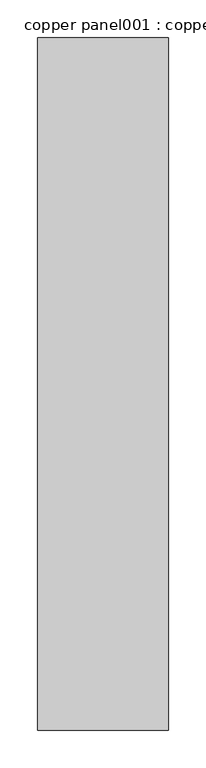
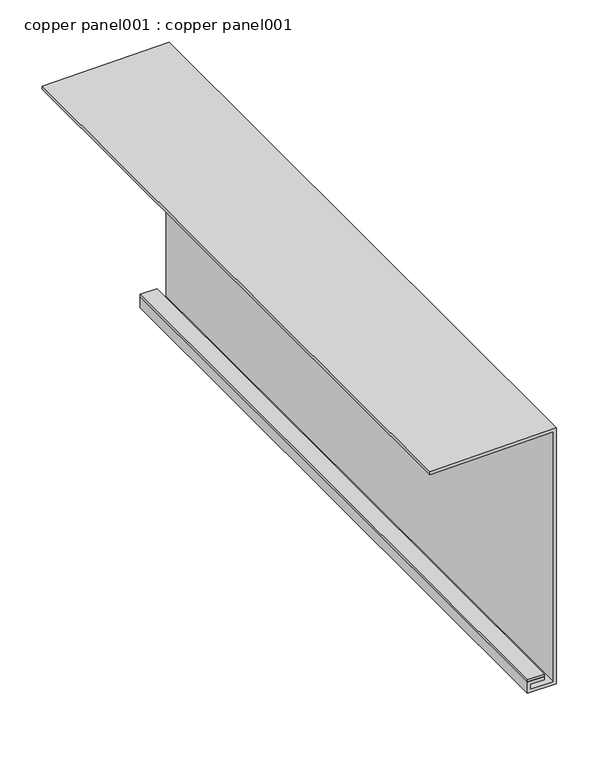
"""IFC4 building model written with IfcOpenShell, lengths in millimetres: proxy geometry, copper panel001 : copper panel001."""

from ifc_helpers import new_model, si_unit, frame, origin, place, context, project, spatial, polyline, outline, extrude, source, transform, mapped, element, save


def copper_panel001_copper_panel001_3ba49868(model_context):
    return source(origin(), model_context, "Body", "SweptSolid", [
        extrude(outline(polyline([(2926.7051945, 39333.6449036), (2922.6075382, 39333.6449036), (2925.5486792, 39502.1427555), (2565.4701172, 39502.1427555), (2565.4701172, 39470.5991675), (2572.7629258, 39470.5991675), (2572.7629258, 39489.704674), (2576.846582, 39489.704674), (2576.846582, 39466.6460426), (2561.3724609, 39466.6460426), (2561.3724609, 39506.2404118), (2929.7178603, 39506.2404118), (2926.7051945, 39333.6449036)])), frame((0.0, -25196.3529946, 0.0), z_axis=(0.0, 1.0, 0.0), x_axis=(0.0, 0.0, 1.0)), (0.0, 0.0, 1.0), 914.4),
        extrude(outline(polyline([(39466.6460426, -24281.9529946), (39489.704674, -24281.9529946), (39489.704674, -25196.3529946), (39466.6460426, -25196.3529946), (39466.6460426, -24281.9529946)])), frame((0.0, 0.0, 2577.608582), z_axis=(0.0, 0.0, 1.0), x_axis=(1.0, 0.0, 0.0)), (0.0, 0.0, 1.0), 3.2385),
    ])


if __name__ == "__main__":
    model = new_model("IFC4")
    model_context = context("Model", 3, world=origin())
    ifc_project = project(units=[si_unit("LENGTHUNIT", "METRE", prefix="MILLI")], contexts=[model_context])
    site = spatial("IfcSite", under=ifc_project)
    building = spatial("IfcBuilding", under=site)
    placement = place(None, origin())
    copper_panel001_copper_panel001_shape = copper_panel001_copper_panel001_3ba49868(model_context)
    element("IfcBuildingElementProxy", 1, Name="copper panel001 : copper panel001", ObjectType="copper panel001 : copper panel001", at=placement, inside=building, context=model_context, shape_type="MappedRepresentation", body=[
        mapped(copper_panel001_copper_panel001_shape, transform((0.0, 0.0, 0.0), x_axis=(1.0, 0.0, 0.0), y_axis=(0.0, 1.0, 0.0), z_axis=(0.0, 0.0, 1.0))),
    ])
    save(model, "model.ifc")
